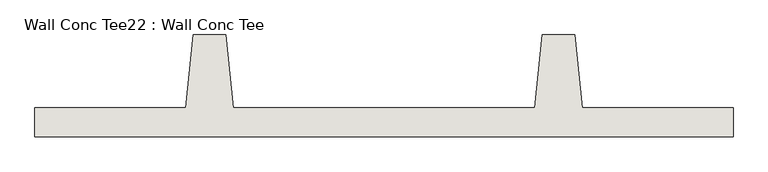
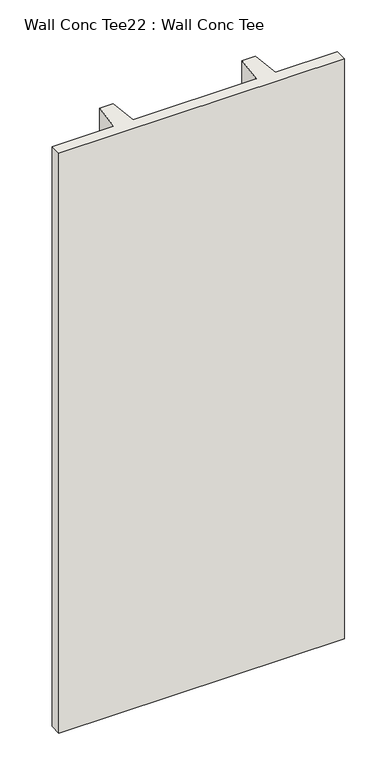
"""IFC4 building model written with IfcOpenShell, lengths in millimetres: wall geometry, Wall Conc Tee22 : Wall Conc Tee."""

from ifc_helpers import new_model, si_unit, frame, origin, place, context, project, spatial, polyline, outline, extrude, source, transform, mapped, element, save


def wall_conc_tee22_wall_conc_tee_03e1f911(model_context):
    return source(origin(), model_context, "Body", "SweptSolid", [
        extrude(outline(polyline([(224803.4728488, 180886.8596581), (222365.0728488, 180886.8596581), (222365.0728488, 180988.4596581), (222892.1228488, 180988.4596581), (222917.5228488, 181242.4596581), (223031.8228488, 181242.4596581), (223057.2228488, 180988.4596581), (224111.3228488, 180988.4596581), (224136.7228488, 181242.4596581), (224251.0228488, 181242.4596581), (224276.4228488, 180988.4596581), (224803.4728488, 180988.4596581), (224803.4728488, 180886.8596581)])), frame((0.0, 0.0, 143.7592564), z_axis=(0.0, 0.0, 1.0), x_axis=(1.0, 0.0, 0.0)), (0.0, 0.0, 1.0), 5232.4087123),
    ])


if __name__ == "__main__":
    model = new_model("IFC4")
    model_context = context("Model", 3, world=origin())
    ifc_project = project(units=[si_unit("LENGTHUNIT", "METRE", prefix="MILLI")], contexts=[model_context])
    site = spatial("IfcSite", under=ifc_project)
    building = spatial("IfcBuilding", under=site)
    placement = place(None, origin())
    wall_conc_tee22_wall_conc_tee_shape = wall_conc_tee22_wall_conc_tee_03e1f911(model_context)
    element("IfcWall", 1, ObjectType="Wall Conc Tee22 : Wall Conc Tee", at=placement, inside=building, context=model_context, shape_type="MappedRepresentation", body=[
        mapped(wall_conc_tee22_wall_conc_tee_shape, transform((0.0, 0.0, 0.0), x_axis=(1.0, 0.0, 0.0), y_axis=(0.0, 1.0, 0.0), z_axis=(0.0, 0.0, 1.0))),
    ])
    save(model, "model.ifc")
